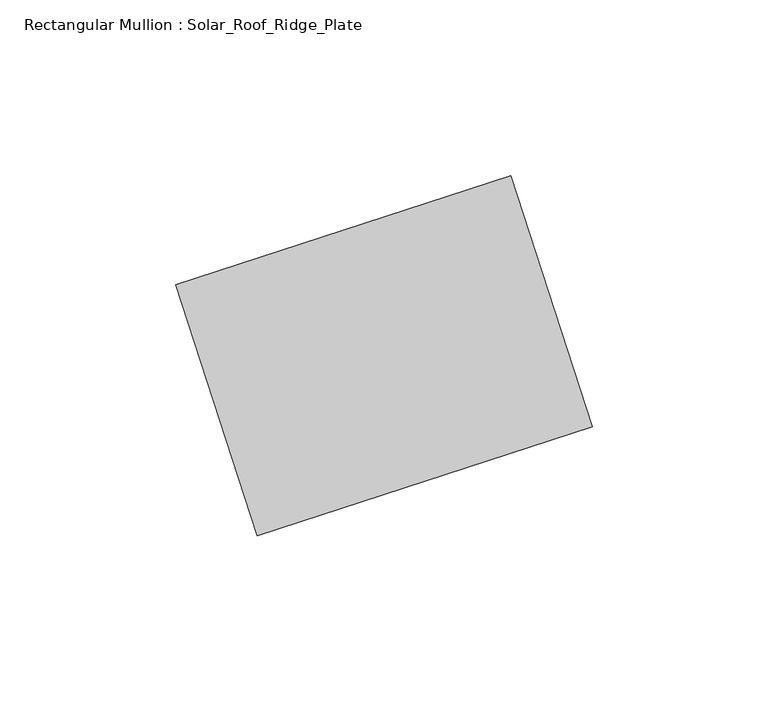
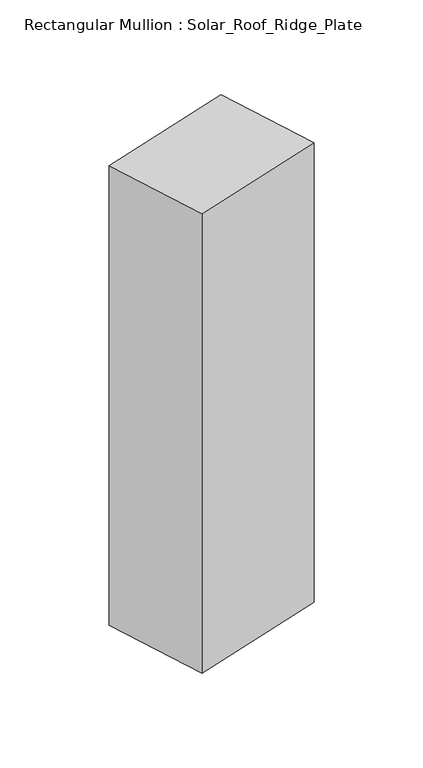
"""IFC4 building model written with IfcOpenShell, lengths in millimetres: member geometry, Rectangular Mullion : Solar_Roof_Ridge_Plate."""

from ifc_helpers import new_model, si_unit, frame, origin, place, context, project, spatial, polyline, outline, extrude, source, transform, mapped, element, save


def rectangular_mullion_solar_roof_ridge_plate_48a31f71(model_context):
    return source(origin(), model_context, "Body", "SweptSolid", [
        extrude(outline(polyline([(30.2782507, -8.3255632), (-64.827401, -39.2272626), (-88.0036755, 32.1019761), (7.1019761, 63.0036755), (30.2782507, -8.3255632)])), frame((0.0, 0.0, -336.0), z_axis=(0.0, 0.0, 1.0), x_axis=(1.0, 0.0, 0.0)), (0.0, 0.0, 1.0), 336.0),
    ])


if __name__ == "__main__":
    model = new_model("IFC4")
    model_context = context("Model", 3, world=origin())
    ifc_project = project(units=[si_unit("LENGTHUNIT", "METRE", prefix="MILLI")], contexts=[model_context])
    site = spatial("IfcSite", under=ifc_project)
    building = spatial("IfcBuilding", under=site)
    placement = place(None, origin())
    rectangular_mullion_solar_roof_ridge_plate_shape = rectangular_mullion_solar_roof_ridge_plate_48a31f71(model_context)
    element("IfcMember", 1, ObjectType="Rectangular Mullion : Solar_Roof_Ridge_Plate", at=placement, inside=building, context=model_context, shape_type="MappedRepresentation", body=[
        mapped(rectangular_mullion_solar_roof_ridge_plate_shape, transform((0.0, 0.0, 0.0), x_axis=(1.0, 0.0, 0.0), y_axis=(0.0, 1.0, 0.0), z_axis=(0.0, 0.0, 1.0))),
    ])
    save(model, "model.ifc")
